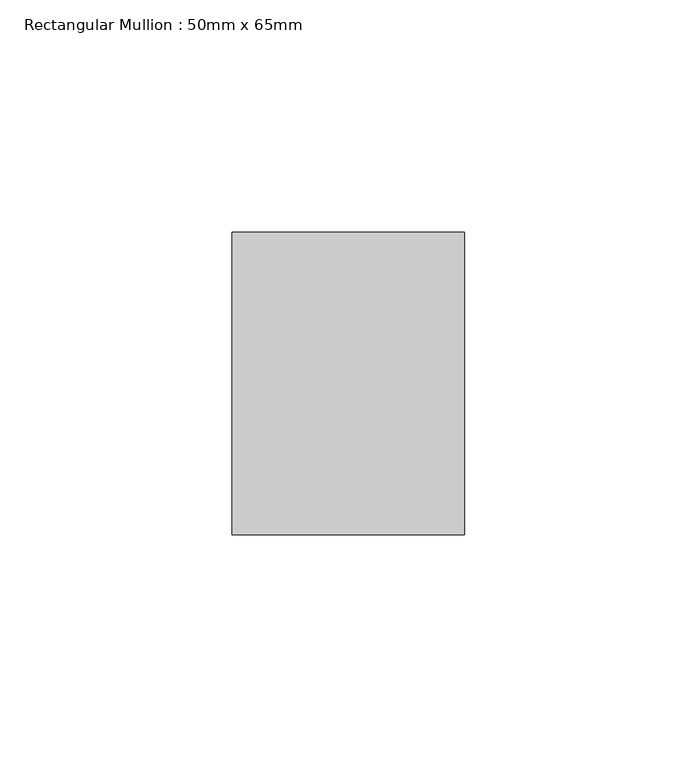
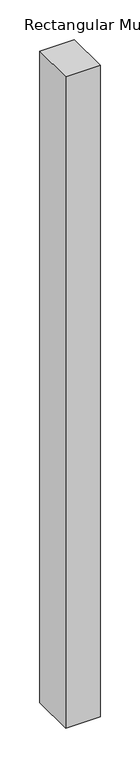
"""IFC4 building model written with IfcOpenShell, lengths in millimetres: member geometry, Rectangular Mullion : 50mm x 65mm."""

from ifc_helpers import new_model, si_unit, frame, origin, place, context, project, spatial, polyline, outline, extrude, source, transform, mapped, element, save


def rectangular_mullion_50mm_x_65mm_7a2e68ef(model_context):
    return source(origin(), model_context, "Body", "SweptSolid", [
        extrude(outline(polyline([(0.0, 32.5), (0.0, -32.5), (-50.0, -32.5), (-50.0, 32.5), (0.0, 32.5)])), frame((0.0, 0.0, -1000.0), z_axis=(0.0, 0.0, 1.0), x_axis=(1.0, 0.0, 0.0)), (0.0, 0.0, 1.0), 1000.0),
    ])


if __name__ == "__main__":
    model = new_model("IFC4")
    model_context = context("Model", 3, world=origin())
    ifc_project = project(units=[si_unit("LENGTHUNIT", "METRE", prefix="MILLI")], contexts=[model_context])
    site = spatial("IfcSite", under=ifc_project)
    building = spatial("IfcBuilding", under=site)
    placement = place(None, origin())
    rectangular_mullion_50mm_x_65mm_shape = rectangular_mullion_50mm_x_65mm_7a2e68ef(model_context)
    element("IfcMember", 1, ObjectType="Rectangular Mullion : 50mm x 65mm", at=placement, inside=building, context=model_context, shape_type="MappedRepresentation", body=[
        mapped(rectangular_mullion_50mm_x_65mm_shape, transform((0.0, 0.0, 0.0), x_axis=(1.0, 0.0, 0.0), y_axis=(0.0, 1.0, 0.0), z_axis=(0.0, 0.0, 1.0))),
    ])
    save(model, "model.ifc")
